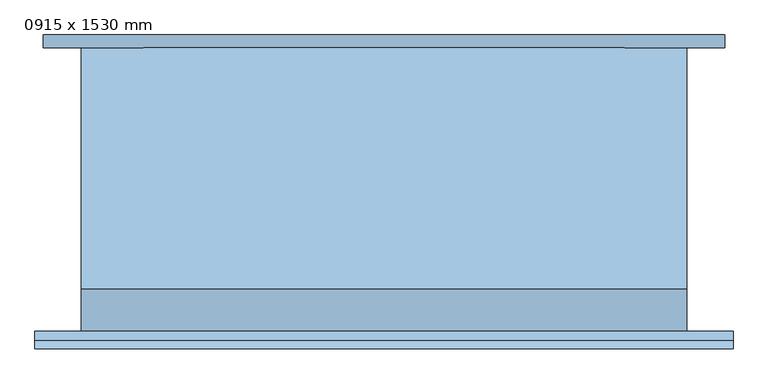
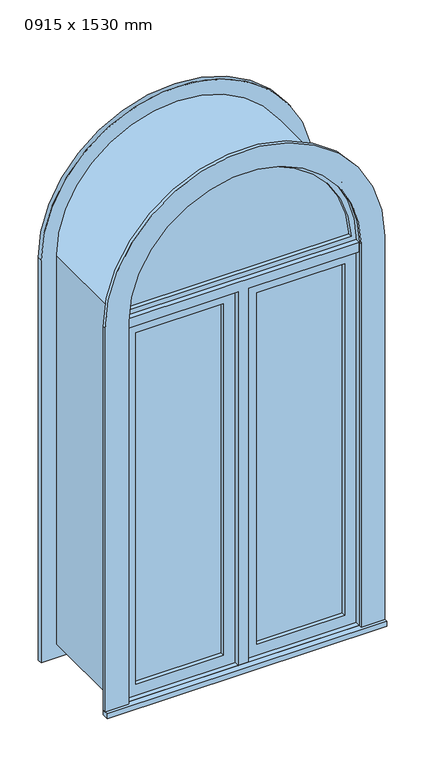
"""IFC4 building model written with IfcOpenShell, lengths in millimetres: window geometry, 0915 x 1530 mm."""

import ifcopenshell
import ifcopenshell.guid

model = None  # the IFC model being written
_history = None  # IfcOwnerHistory: only IFC2X3 demands one
_inside = {}  # id of a spatial element -> (the spatial element, [elements in it])
_under = {}  # id of a project, library or spatial element -> (it, [spatial elements below it])
_declared = {}  # id of a project -> (the project, [libraries it declares])
_typed = {}  # id of a type object -> (the type object, [elements of that type])
_made_of = {}  # id of a material, layer set ... -> (it, [elements and type objects made of it])


def new_model(schema):
    """Start an empty IFC model of exactly this schema.

    Asked for "IFC4X3", IfcOpenShell would pick the latest addendum, in which some entities
    have other attributes; the version numbers below select the first issue.
    IFC2X3 requires an IfcOwnerHistory on every rooted entity: one is made here for all.
    """
    global model, _history
    if schema == "IFC4X3":
        model = ifcopenshell.file(schema_version=(4, 3, 0, 0))
    else:
        model = ifcopenshell.file(schema=schema)
    _inside.clear()
    _under.clear()
    _declared.clear()
    _typed.clear()
    _made_of.clear()
    _history = None
    if model.schema == "IFC2X3":
        org = make("IfcOrganization", Name="unknown")
        user = make(
            "IfcPersonAndOrganization",
            ThePerson=make("IfcPerson", FamilyName="unknown"),
            TheOrganization=org,
        )
        app = make(
            "IfcApplication",
            ApplicationDeveloper=org,
            Version="unknown",
            ApplicationFullName="unknown",
            ApplicationIdentifier="unknown",
        )
        _history = make(
            "IfcOwnerHistory",
            OwningUser=user,
            OwningApplication=app,
            ChangeAction="ADDED",
            CreationDate=0,
        )
    return model


def make(cls, **values):
    """One entity of the class cls with the attributes given. An attribute that is None is left unset."""
    return model.create_entity(
        cls, **{name: value for name, value in values.items() if value is not None}
    )


def rooted(cls, **values):
    """An entity with a GlobalId (a new one), such as an element, a storey or a relation."""
    return make(cls, GlobalId=ifcopenshell.guid.new(), OwnerHistory=_history, **values)


def si_unit(unit_type, name, prefix=None):
    """IfcSIUnit, for example si_unit("LENGTHUNIT", "METRE", prefix="MILLI")."""
    return make("IfcSIUnit", UnitType=unit_type, Prefix=prefix, Name=name)


def assignment(units):
    """IfcUnitAssignment: the units of a project."""
    return None if units is None else make("IfcUnitAssignment", Units=units)


def point(xyz):
    """IfcCartesianPoint."""
    return None if xyz is None else make("IfcCartesianPoint", Coordinates=xyz)


def direction(xyz):
    """IfcDirection."""
    return None if xyz is None else make("IfcDirection", DirectionRatios=xyz)


def frame(location, z_axis=None, x_axis=None):
    """IfcAxis2Placement3D, a coordinate frame: its origin and axes. An axis left out is left unset."""
    return make(
        "IfcAxis2Placement3D",
        Location=point(location),
        Axis=direction(z_axis),
        RefDirection=direction(x_axis),
    )


def frame_2d(location, x_axis=None):
    """IfcAxis2Placement2D, a coordinate frame in the plane: its origin and x axis."""
    return make(
        "IfcAxis2Placement2D", Location=point(location), RefDirection=direction(x_axis)
    )


def origin():
    """The frame at (0, 0, 0) with its axes left unset."""
    return frame((0.0, 0.0, 0.0))


def place(relative_to, where):
    """IfcLocalPlacement: puts the frame where relative to a parent placement (None: the world)."""
    return make(
        "IfcLocalPlacement", PlacementRelTo=relative_to, RelativePlacement=where
    )


def context(
    kind, dimensions, precision=None, world=None, true_north=None, identifier=None
):
    """IfcGeometricRepresentationContext, for example the 3D "Model" context."""
    return make(
        "IfcGeometricRepresentationContext",
        ContextIdentifier=identifier,
        ContextType=kind,
        CoordinateSpaceDimension=dimensions,
        Precision=precision,
        WorldCoordinateSystem=world,
        TrueNorth=true_north,
    )


def project(units=None, contexts=None):
    """IfcProject with its units and contexts."""
    return rooted(
        "IfcProject",
        Name="project",
        RepresentationContexts=contexts,
        UnitsInContext=assignment(units),
    )


def spatial(cls, under=None, at=None, **own):
    """A site, building, storey or space (cls), placed at a placement, below another one or the project."""
    s = rooted(cls, ObjectPlacement=at, **own)
    if under is not None:
        _under.setdefault(under.id(), (under, []))[1].append(s)
    return s


def polyline(points):
    """IfcPolyline through the points."""
    return make("IfcPolyline", Points=[point(p) for p in points])


def circle_curve(where, radius):
    """IfcCircle in the frame where."""
    return make("IfcCircle", Position=where, Radius=radius)


def trimmed(basis, trim1, trim2, sense, master):
    """IfcTrimmedCurve: the piece of a basis curve between two trims."""
    return make(
        "IfcTrimmedCurve",
        BasisCurve=basis,
        Trim1=trim1,
        Trim2=trim2,
        SenseAgreement=sense,
        MasterRepresentation=master,
    )


def segment(curve, same_sense, transition):
    """IfcCompositeCurveSegment."""
    return make(
        "IfcCompositeCurveSegment",
        Transition=transition,
        SameSense=same_sense,
        ParentCurve=curve,
    )


def composite_curve(segments, self_intersect=None):
    """IfcCompositeCurve: segments joined end to end."""
    return make("IfcCompositeCurve", Segments=segments, SelfIntersect=self_intersect)


def outline(outer, holes=None, kind="AREA"):
    """IfcArbitraryClosedProfileDef: a profile drawn as a closed curve; with holes, ...WithVoids."""
    if holes is None:
        return make("IfcArbitraryClosedProfileDef", ProfileType=kind, OuterCurve=outer)
    return make(
        "IfcArbitraryProfileDefWithVoids",
        ProfileType=kind,
        OuterCurve=outer,
        InnerCurves=holes,
    )


def extrude(swept, where, along, depth):
    """IfcExtrudedAreaSolid: the profile swept, set in the frame where, extruded along a direction by depth."""
    return make(
        "IfcExtrudedAreaSolid",
        SweptArea=swept,
        Position=where,
        ExtrudedDirection=direction(along),
        Depth=depth,
    )


def shape(context_of_items, identifier, shape_type, items):
    """IfcShapeRepresentation: the items that make up one representation, for example the "Body"."""
    return make(
        "IfcShapeRepresentation",
        ContextOfItems=context_of_items,
        RepresentationIdentifier=identifier,
        RepresentationType=shape_type,
        Items=items,
    )


def source(mapping_origin, context_of_items, identifier, shape_type, items):
    """IfcRepresentationMap: a shape defined once, which mapped items show again and again."""
    return make(
        "IfcRepresentationMap",
        MappingOrigin=mapping_origin,
        MappedRepresentation=shape(context_of_items, identifier, shape_type, items),
    )


def transform(
    local_origin,
    x_axis=None,
    y_axis=None,
    z_axis=None,
    scale=None,
    scale2=None,
    scale3=None,
    uniform=True,
):
    """IfcCartesianTransformationOperator3D, or its non-uniform kind. x_axis, y_axis, z_axis: its Axis1, 2, 3."""
    if uniform:
        return make(
            "IfcCartesianTransformationOperator3D",
            Axis1=direction(x_axis),
            Axis2=direction(y_axis),
            LocalOrigin=point(local_origin),
            Scale=scale,
            Axis3=direction(z_axis),
        )
    return make(
        "IfcCartesianTransformationOperator3DnonUniform",
        Axis1=direction(x_axis),
        Axis2=direction(y_axis),
        LocalOrigin=point(local_origin),
        Scale=scale,
        Axis3=direction(z_axis),
        Scale2=scale2,
        Scale3=scale3,
    )


def mapped(mapping_source, mapping_target):
    """IfcMappedItem: shows the shape of a source again, moved by a transform."""
    return make(
        "IfcMappedItem", MappingSource=mapping_source, MappingTarget=mapping_target
    )


def made_of(thing, what):
    """Note that an element or type object is made of a material, layer set ...; save() writes the relation."""
    if what is not None:
        _made_of.setdefault(what.id(), (what, []))[1].append(thing)
    return thing


def element(
    cls,
    number,
    at=None,
    inside=None,
    cuts=None,
    type_object=None,
    material=None,
    context=None,
    identifier="Body",
    shape_type=None,
    held_by="IfcProductDefinitionShape",
    body=None,
    shapes=None,
    **own,
):
    """One element of the class cls, such as IfcWall. Its Tag is "e" and its number.

    at: its placement. inside: the storey or other place that contains it. cuts: it is an
    opening in that element (IfcRelVoidsElement). A single representation is given by context,
    identifier, shape_type and body (its items); several are given by shapes. held_by: the class
    of the entity that holds the representations. save() writes the other relations.
    """
    e = rooted(cls, Tag="e%d" % number, ObjectPlacement=at, **own)
    if body is not None:
        shapes = [shape(context, identifier, shape_type, body)]
    if shapes is not None:
        e.Representation = make(held_by, Representations=shapes)
    if inside is not None:
        _inside.setdefault(inside.id(), (inside, []))[1].append(e)
    if cuts is not None:
        rooted(
            "IfcRelVoidsElement", RelatingBuildingElement=cuts, RelatedOpeningElement=e
        )
    if type_object is not None:
        _typed.setdefault(type_object.id(), (type_object, []))[1].append(e)
    return made_of(e, material)


def aggregate(whole, parts):
    """IfcRelAggregates: a whole, such as a stair, and the parts it consists of."""
    return rooted("IfcRelAggregates", RelatingObject=whole, RelatedObjects=parts)


def save(model, path):
    """Write the relations noted so far, then the file.

    IfcRelAggregates (storeys below a building ...), IfcRelContainedInSpatialStructure (elements
    in a storey), IfcRelDefinesByType, IfcRelAssociatesMaterial and IfcRelDeclares: one each for
    every whole, place, type object, material and project.
    """
    for whole, parts in _under.values():
        aggregate(whole, parts)
    for where, things in _inside.values():
        rooted(
            "IfcRelContainedInSpatialStructure",
            RelatedElements=things,
            RelatingStructure=where,
        )
    for kind, things in _typed.values():
        rooted("IfcRelDefinesByType", RelatedObjects=things, RelatingType=kind)
    for what, things in _made_of.values():
        rooted("IfcRelAssociatesMaterial", RelatedObjects=things, RelatingMaterial=what)
    for by, libraries in _declared.values():
        rooted("IfcRelDeclares", RelatingContext=by, RelatedDefinitions=libraries)
    model.write(path)


def window_0915_x_1530_mm_b2430f2b(model_context):
    return source(origin(), model_context, "Body", "SweptSolid", [
        extrude(outline(composite_curve([segment(polyline([(1854.05, -506.7478419), (247.75, -506.7478419), (247.75, 522.7521581), (1854.05, 522.7521581)]), True, "CONTINUOUS"), segment(trimmed(circle_curve(frame_2d((1854.05, 8.0021581)), 514.75), [point((1854.05, 522.7521581))], [point((1854.05, -506.7478419))], False, "CARTESIAN"), True, "CONTINUOUS")], self_intersect=False), holes=[composite_curve([segment(trimmed(circle_curve(frame_2d((1854.05, 8.0021581)), 425.75), [point((1854.05, -417.7478419))], [point((1854.05, 433.7521581))], True, "CARTESIAN"), True, "CONTINUOUS"), segment(polyline([(1854.05, 433.7521581), (336.75, 433.7521581), (336.75, -417.7478419), (1854.05, -417.7478419)]), True, "CONTINUOUS")], self_intersect=False)]), frame((0.0, 214.5, 0.0), z_axis=(0.0, 1.0, 0.0), x_axis=(0.0, 0.0, 1.0)), (0.0, 0.0, 1.0), 19.0),
        extrude(outline(composite_curve([segment(trimmed(circle_curve(frame_2d((1854.05, 8.0021581)), 419.515161), [point((1873.0999995, 427.0845699))], [point((1873.0999995, -411.0802537))], False, "CARTESIAN"), True, "CONTINUOUS"), segment(polyline([(1873.0999995, -411.0802537), (1873.0999995, 427.0845699)]), True, "CONTINUOUS")], self_intersect=False)), frame((0.0, -179.625, 0.0), z_axis=(0.0, 1.0, 0.0), x_axis=(0.0, 0.0, 1.0)), (0.0, 0.0, 1.0), 12.7),
        extrude(outline(composite_curve([segment(trimmed(circle_curve(frame_2d((1854.05, 8.0021581)), 438.45), [point((1854.05, 446.4521581))], [point((1854.05, -430.4478419))], False, "CARTESIAN"), True, "CONTINUOUS"), segment(polyline([(1854.05, -430.4478419), (1854.05, 446.4521581)]), True, "CONTINUOUS")], self_intersect=False), holes=[composite_curve([segment(polyline([(1873.0999995, 427.0845698), (1873.0999995, -411.0802537)]), True, "CONTINUOUS"), segment(trimmed(circle_curve(frame_2d((1854.05, 8.0021581)), 419.515161), [point((1873.0999995, -411.0802537))], [point((1873.0999995, 427.0845698))], True, "CARTESIAN"), True, "CONTINUOUS")], self_intersect=False)]), frame((0.0, -195.5, 0.0), z_axis=(0.0, 1.0, 0.0), x_axis=(0.0, 0.0, 1.0)), (0.0, 0.0, 1.0), 44.45),
        extrude(outline(composite_curve([segment(polyline([(305.0, -449.4978419), (305.0, 465.5021581), (1854.05, 465.5021581)]), True, "CONTINUOUS"), segment(trimmed(circle_curve(frame_2d((1854.05, 8.0021581)), 457.5), [point((1854.05, 465.5021581))], [point((1854.05, -449.4978419))], False, "CARTESIAN"), True, "CONTINUOUS"), segment(polyline([(1854.05, -449.4978419), (305.0, -449.4978419)]), True, "CONTINUOUS")], self_intersect=False), holes=[composite_curve([segment(polyline([(324.05, -430.4478419), (1854.05, -430.4478419)]), True, "CONTINUOUS"), segment(trimmed(circle_curve(frame_2d((1854.05, 8.0021581)), 438.45), [point((1854.05, -430.4478419))], [point((1854.05, 446.4521581))], True, "CARTESIAN"), True, "CONTINUOUS"), segment(polyline([(1854.05, 446.4521581), (324.05, 446.4521581), (324.05, -430.4478419)]), True, "CONTINUOUS")], self_intersect=False)]), frame((0.0, -214.5, 0.0), z_axis=(0.0, 1.0, 0.0), x_axis=(0.0, 0.0, 1.0)), (0.0, 0.0, 1.0), 63.45),
        extrude(outline(polyline([(71.5021581, -179.625), (71.5021581, -166.925), (402.0021581, -166.925), (402.0021581, -179.625), (71.5021581, -179.625)])), frame((0.0, 0.0, 368.5), z_axis=(0.0, 0.0, 1.0), x_axis=(1.0, 0.0, 0.0)), (0.0, 0.0, 1.0), 1403.0),
        extrude(outline(polyline([(1815.95, 27.0521581), (324.05, 27.0521581), (324.05, 446.4521581), (1815.95, 446.4521581), (1815.95, 27.0521581)]), holes=[polyline([(1771.5, 71.5021581), (1771.5, 402.0021581), (368.5, 402.0021581), (368.5, 71.5021581), (1771.5, 71.5021581)])]), frame((0.0, -195.5, 0.0), z_axis=(0.0, 1.0, 0.0), x_axis=(0.0, 0.0, 1.0)), (0.0, 0.0, 1.0), 44.45),
        extrude(outline(polyline([(324.05, -11.0478419), (324.05, 27.0521581), (1815.95, 27.0521581), (1815.95, 446.4521581), (1854.05, 446.4521581), (1854.05, -430.4478419), (1815.95, -430.4478419), (1815.95, -11.0478419), (324.05, -11.0478419)])), frame((0.0, -214.55, 0.0), z_axis=(0.0, 1.0, 0.0), x_axis=(0.0, 0.0, 1.0)), (0.0, 0.0, 1.0), 63.5),
        extrude(outline(polyline([(-519.4478419, -240.2), (-519.4478419, -214.5), (535.4521581, -214.5), (535.4521581, -240.2), (-519.4478419, -240.2)])), frame((0.0, 0.0, 305.0), z_axis=(0.0, 0.0, 1.0), x_axis=(1.0, 0.0, 0.0)), (0.0, 0.0, 1.0), 19.05),
        extrude(outline(composite_curve([segment(polyline([(324.05, 446.4521581), (324.05, 535.4521581), (1854.05, 535.4521581)]), True, "CONTINUOUS"), segment(trimmed(circle_curve(frame_2d((1854.05, 8.0021581)), 527.45), [point((1854.05, 535.4521581))], [point((1854.05, -519.4478419))], False, "CARTESIAN"), True, "CONTINUOUS"), segment(polyline([(1854.05, -519.4478419), (324.05, -519.4478419), (324.05, -430.4478419), (1854.05, -430.4478419)]), True, "CONTINUOUS"), segment(trimmed(circle_curve(frame_2d((1854.05, 8.0021581)), 438.45), [point((1854.05, -430.4478419))], [point((1854.05, 446.4521581))], True, "CARTESIAN"), True, "CONTINUOUS"), segment(polyline([(1854.05, 446.4521581), (324.05, 446.4521581)]), True, "CONTINUOUS")], self_intersect=False)), frame((0.0, -227.5, 0.0), z_axis=(0.0, 1.0, 0.0), x_axis=(0.0, 0.0, 1.0)), (0.0, 0.0, 1.0), 13.0),
        extrude(outline(polyline([(-55.4978419, -166.925), (-55.4978419, -179.625), (-385.9978419, -179.625), (-385.9978419, -166.925), (-55.4978419, -166.925)])), frame((0.0, 0.0, 368.5), z_axis=(0.0, 0.0, 1.0), x_axis=(1.0, 0.0, 0.0)), (0.0, 0.0, 1.0), 1403.0),
        extrude(outline(polyline([(1815.95, -430.4478419), (324.05, -430.4478419), (324.05, -11.0478419), (1815.95, -11.0478419), (1815.95, -430.4478419)]), holes=[polyline([(1771.5, -385.9978419), (1771.5, -55.4978419), (368.5, -55.4978419), (368.5, -385.9978419), (1771.5, -385.9978419)])]), frame((0.0, -195.5, 0.0), z_axis=(0.0, 1.0, 0.0), x_axis=(0.0, 0.0, 1.0)), (0.0, 0.0, 1.0), 44.45),
        extrude(outline(composite_curve([segment(polyline([(305.0, 465.5021581), (1854.05, 465.5021581)]), True, "CONTINUOUS"), segment(trimmed(circle_curve(frame_2d((1854.05, 8.0021581)), 457.5), [point((1854.05, 465.5021581))], [point((1854.05, -449.4978419))], False, "CARTESIAN"), True, "CONTINUOUS"), segment(polyline([(1854.05, -449.4978419), (305.0, -449.4978419), (305.0, 465.5021581)]), True, "CONTINUOUS")], self_intersect=False), holes=[composite_curve([segment(polyline([(336.75, 433.7521581), (336.75, -417.7478419), (1854.05, -417.7478419)]), True, "CONTINUOUS"), segment(trimmed(circle_curve(frame_2d((1854.05, 8.0021581)), 425.75), [point((1854.05, -417.7478419))], [point((1854.05, 433.7521581))], True, "CARTESIAN"), True, "CONTINUOUS"), segment(polyline([(1854.05, 433.7521581), (336.75, 433.7521581)]), True, "CONTINUOUS")], self_intersect=False)]), frame((0.0, -151.05, 0.0), z_axis=(0.0, 1.0, 0.0), x_axis=(0.0, 0.0, 1.0)), (0.0, 0.0, 1.0), 365.55),
    ])


if __name__ == "__main__":
    model = new_model("IFC4")
    model_context = context("Model", 3, world=origin())
    ifc_project = project(units=[si_unit("LENGTHUNIT", "METRE", prefix="MILLI")], contexts=[model_context])
    site = spatial("IfcSite", under=ifc_project)
    building = spatial("IfcBuilding", under=site)
    placement = place(None, origin())
    window_0915_x_1530_mm_shape = window_0915_x_1530_mm_b2430f2b(model_context)
    element("IfcWindow", 1, ObjectType="0915 x 1530 mm", at=placement, inside=building, context=model_context, shape_type="MappedRepresentation", body=[
        mapped(window_0915_x_1530_mm_shape, transform((0.0, 0.0, 0.0), x_axis=(1.0, 0.0, 0.0), y_axis=(0.0, 1.0, 0.0), z_axis=(0.0, 0.0, 1.0))),
    ])
    save(model, "model.ifc")
